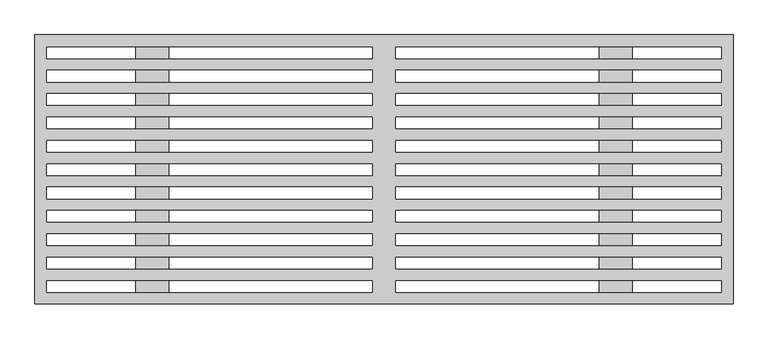
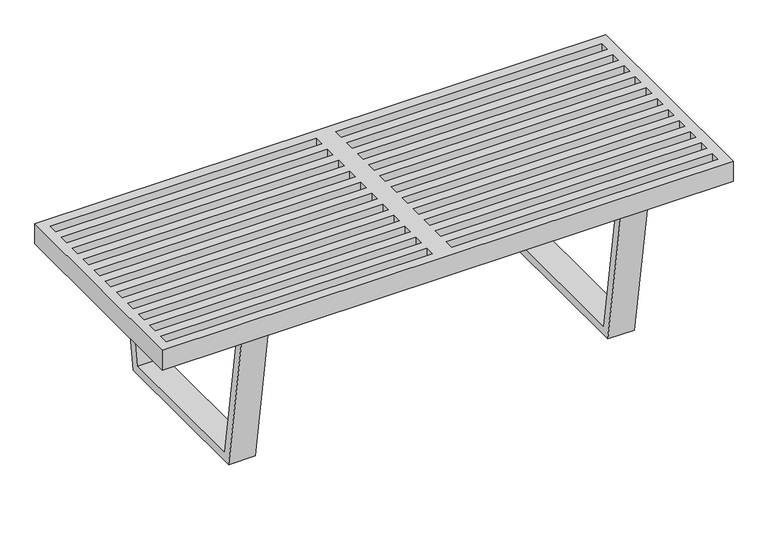
"""IFC4 building model written with IfcOpenShell, lengths in millimetres: furniture geometry."""

import ifcopenshell
import ifcopenshell.guid

model = None  # the IFC model being written
_history = None  # IfcOwnerHistory: only IFC2X3 demands one
_inside = {}  # id of a spatial element -> (the spatial element, [elements in it])
_under = {}  # id of a project, library or spatial element -> (it, [spatial elements below it])
_declared = {}  # id of a project -> (the project, [libraries it declares])
_typed = {}  # id of a type object -> (the type object, [elements of that type])
_made_of = {}  # id of a material, layer set ... -> (it, [elements and type objects made of it])


def new_model(schema):
    """Start an empty IFC model of exactly this schema.

    Asked for "IFC4X3", IfcOpenShell would pick the latest addendum, in which some entities
    have other attributes; the version numbers below select the first issue.
    IFC2X3 requires an IfcOwnerHistory on every rooted entity: one is made here for all.
    """
    global model, _history
    if schema == "IFC4X3":
        model = ifcopenshell.file(schema_version=(4, 3, 0, 0))
    else:
        model = ifcopenshell.file(schema=schema)
    _inside.clear()
    _under.clear()
    _declared.clear()
    _typed.clear()
    _made_of.clear()
    _history = None
    if model.schema == "IFC2X3":
        org = make("IfcOrganization", Name="unknown")
        user = make(
            "IfcPersonAndOrganization",
            ThePerson=make("IfcPerson", FamilyName="unknown"),
            TheOrganization=org,
        )
        app = make(
            "IfcApplication",
            ApplicationDeveloper=org,
            Version="unknown",
            ApplicationFullName="unknown",
            ApplicationIdentifier="unknown",
        )
        _history = make(
            "IfcOwnerHistory",
            OwningUser=user,
            OwningApplication=app,
            ChangeAction="ADDED",
            CreationDate=0,
        )
    return model


def make(cls, **values):
    """One entity of the class cls with the attributes given. An attribute that is None is left unset."""
    return model.create_entity(
        cls, **{name: value for name, value in values.items() if value is not None}
    )


def rooted(cls, **values):
    """An entity with a GlobalId (a new one), such as an element, a storey or a relation."""
    return make(cls, GlobalId=ifcopenshell.guid.new(), OwnerHistory=_history, **values)


def si_unit(unit_type, name, prefix=None):
    """IfcSIUnit, for example si_unit("LENGTHUNIT", "METRE", prefix="MILLI")."""
    return make("IfcSIUnit", UnitType=unit_type, Prefix=prefix, Name=name)


def assignment(units):
    """IfcUnitAssignment: the units of a project."""
    return None if units is None else make("IfcUnitAssignment", Units=units)


def point(xyz):
    """IfcCartesianPoint."""
    return None if xyz is None else make("IfcCartesianPoint", Coordinates=xyz)


def direction(xyz):
    """IfcDirection."""
    return None if xyz is None else make("IfcDirection", DirectionRatios=xyz)


def frame(location, z_axis=None, x_axis=None):
    """IfcAxis2Placement3D, a coordinate frame: its origin and axes. An axis left out is left unset."""
    return make(
        "IfcAxis2Placement3D",
        Location=point(location),
        Axis=direction(z_axis),
        RefDirection=direction(x_axis),
    )


def origin():
    """The frame at (0, 0, 0) with its axes left unset."""
    return frame((0.0, 0.0, 0.0))


def place(relative_to, where):
    """IfcLocalPlacement: puts the frame where relative to a parent placement (None: the world)."""
    return make(
        "IfcLocalPlacement", PlacementRelTo=relative_to, RelativePlacement=where
    )


def context(
    kind, dimensions, precision=None, world=None, true_north=None, identifier=None
):
    """IfcGeometricRepresentationContext, for example the 3D "Model" context."""
    return make(
        "IfcGeometricRepresentationContext",
        ContextIdentifier=identifier,
        ContextType=kind,
        CoordinateSpaceDimension=dimensions,
        Precision=precision,
        WorldCoordinateSystem=world,
        TrueNorth=true_north,
    )


def project(units=None, contexts=None):
    """IfcProject with its units and contexts."""
    return rooted(
        "IfcProject",
        Name="project",
        RepresentationContexts=contexts,
        UnitsInContext=assignment(units),
    )


def spatial(cls, under=None, at=None, **own):
    """A site, building, storey or space (cls), placed at a placement, below another one or the project."""
    s = rooted(cls, ObjectPlacement=at, **own)
    if under is not None:
        _under.setdefault(under.id(), (under, []))[1].append(s)
    return s


def polyline(points):
    """IfcPolyline through the points."""
    return make("IfcPolyline", Points=[point(p) for p in points])


def circle_curve(where, radius):
    """IfcCircle in the frame where."""
    return make("IfcCircle", Position=where, Radius=radius)


def outline(outer, holes=None, kind="AREA"):
    """IfcArbitraryClosedProfileDef: a profile drawn as a closed curve; with holes, ...WithVoids."""
    if holes is None:
        return make("IfcArbitraryClosedProfileDef", ProfileType=kind, OuterCurve=outer)
    return make(
        "IfcArbitraryProfileDefWithVoids",
        ProfileType=kind,
        OuterCurve=outer,
        InnerCurves=holes,
    )


def extrude(swept, where, along, depth):
    """IfcExtrudedAreaSolid: the profile swept, set in the frame where, extruded along a direction by depth."""
    return make(
        "IfcExtrudedAreaSolid",
        SweptArea=swept,
        Position=where,
        ExtrudedDirection=direction(along),
        Depth=depth,
    )


def shape(context_of_items, identifier, shape_type, items):
    """IfcShapeRepresentation: the items that make up one representation, for example the "Body"."""
    return make(
        "IfcShapeRepresentation",
        ContextOfItems=context_of_items,
        RepresentationIdentifier=identifier,
        RepresentationType=shape_type,
        Items=items,
    )


def source(mapping_origin, context_of_items, identifier, shape_type, items):
    """IfcRepresentationMap: a shape defined once, which mapped items show again and again."""
    return make(
        "IfcRepresentationMap",
        MappingOrigin=mapping_origin,
        MappedRepresentation=shape(context_of_items, identifier, shape_type, items),
    )


def transform(
    local_origin,
    x_axis=None,
    y_axis=None,
    z_axis=None,
    scale=None,
    scale2=None,
    scale3=None,
    uniform=True,
):
    """IfcCartesianTransformationOperator3D, or its non-uniform kind. x_axis, y_axis, z_axis: its Axis1, 2, 3."""
    if uniform:
        return make(
            "IfcCartesianTransformationOperator3D",
            Axis1=direction(x_axis),
            Axis2=direction(y_axis),
            LocalOrigin=point(local_origin),
            Scale=scale,
            Axis3=direction(z_axis),
        )
    return make(
        "IfcCartesianTransformationOperator3DnonUniform",
        Axis1=direction(x_axis),
        Axis2=direction(y_axis),
        LocalOrigin=point(local_origin),
        Scale=scale,
        Axis3=direction(z_axis),
        Scale2=scale2,
        Scale3=scale3,
    )


def mapped(mapping_source, mapping_target):
    """IfcMappedItem: shows the shape of a source again, moved by a transform."""
    return make(
        "IfcMappedItem", MappingSource=mapping_source, MappingTarget=mapping_target
    )


def made_of(thing, what):
    """Note that an element or type object is made of a material, layer set ...; save() writes the relation."""
    if what is not None:
        _made_of.setdefault(what.id(), (what, []))[1].append(thing)
    return thing


def element(
    cls,
    number,
    at=None,
    inside=None,
    cuts=None,
    type_object=None,
    material=None,
    context=None,
    identifier="Body",
    shape_type=None,
    held_by="IfcProductDefinitionShape",
    body=None,
    shapes=None,
    **own,
):
    """One element of the class cls, such as IfcWall. Its Tag is "e" and its number.

    at: its placement. inside: the storey or other place that contains it. cuts: it is an
    opening in that element (IfcRelVoidsElement). A single representation is given by context,
    identifier, shape_type and body (its items); several are given by shapes. held_by: the class
    of the entity that holds the representations. save() writes the other relations.
    """
    e = rooted(cls, Tag="e%d" % number, ObjectPlacement=at, **own)
    if body is not None:
        shapes = [shape(context, identifier, shape_type, body)]
    if shapes is not None:
        e.Representation = make(held_by, Representations=shapes)
    if inside is not None:
        _inside.setdefault(inside.id(), (inside, []))[1].append(e)
    if cuts is not None:
        rooted(
            "IfcRelVoidsElement", RelatingBuildingElement=cuts, RelatedOpeningElement=e
        )
    if type_object is not None:
        _typed.setdefault(type_object.id(), (type_object, []))[1].append(e)
    return made_of(e, material)


def aggregate(whole, parts):
    """IfcRelAggregates: a whole, such as a stair, and the parts it consists of."""
    return rooted("IfcRelAggregates", RelatingObject=whole, RelatedObjects=parts)


def save(model, path):
    """Write the relations noted so far, then the file.

    IfcRelAggregates (storeys below a building ...), IfcRelContainedInSpatialStructure (elements
    in a storey), IfcRelDefinesByType, IfcRelAssociatesMaterial and IfcRelDeclares: one each for
    every whole, place, type object, material and project.
    """
    for whole, parts in _under.values():
        aggregate(whole, parts)
    for where, things in _inside.values():
        rooted(
            "IfcRelContainedInSpatialStructure",
            RelatedElements=things,
            RelatingStructure=where,
        )
    for kind, things in _typed.values():
        rooted("IfcRelDefinesByType", RelatedObjects=things, RelatingType=kind)
    for what, things in _made_of.values():
        rooted("IfcRelAssociatesMaterial", RelatedObjects=things, RelatingMaterial=what)
    for by, libraries in _declared.values():
        rooted("IfcRelDeclares", RelatingContext=by, RelatedDefinitions=libraries)
    model.write(path)


def plane_surface(at):
    """IfcPlane: the flat surface through the origin of the frame at, square to its z axis."""
    return make("IfcPlane", Position=at)


def cylinder_surface(at, radius):
    """IfcCylindricalSurface: all points at the distance radius from the z axis of the frame at."""
    return make("IfcCylindricalSurface", Position=at, Radius=radius)


def revolved_surface(curve, axis_point, axis_direction):
    """IfcSurfaceOfRevolution: the curve turned about the line through axis_point along axis_direction."""
    return make(
        "IfcSurfaceOfRevolution",
        SweptCurve=make("IfcArbitraryOpenProfileDef", ProfileType="CURVE", Curve=curve),
        AxisPosition=make("IfcAxis1Placement", Location=point(axis_point), Axis=direction(axis_direction)),
    )


def advanced_brep(points, edges, surfaces, faces):
    """IfcAdvancedBrep: a solid bounded by faces that lie on surfaces and meet in shared edges.

    An edge is (start, end): straight between two places in points (the first is 0);
    or (start, end, curve); or (start, end, curve, False) where it runs against its curve.
    A face is (place in surfaces, loops), or (place, loops, False) where it looks against
    its surface's normal. A loop lists edges by number (the first is 1), with a minus sign
    where the edge is run from its end to its start. The first loop is the outer one.
    """
    corners = [point(p) for p in points]
    vertices = [make("IfcVertexPoint", VertexGeometry=c) for c in corners]
    made = []
    for start, end, *more in edges:
        made.append(
            make(
                "IfcEdgeCurve",
                EdgeStart=vertices[start],
                EdgeEnd=vertices[end],
                EdgeGeometry=more[0] if more else make("IfcPolyline", Points=[corners[start], corners[end]]),
                SameSense=more[1] if len(more) > 1 else True,
            )
        )
    hull = []
    for where, loops, *sense in faces:
        bounds = []
        for j, loop in enumerate(loops):
            ring = [make("IfcOrientedEdge", EdgeElement=made[abs(k) - 1], Orientation=k > 0) for k in loop]
            bounds.append(
                make(
                    "IfcFaceOuterBound" if j == 0 else "IfcFaceBound",
                    Bound=make("IfcEdgeLoop", EdgeList=ring),
                    Orientation=True,
                )
            )
        hull.append(make("IfcAdvancedFace", Bounds=bounds, FaceSurface=surfaces[where], SameSense=sense[0] if sense else True))
    return make("IfcAdvancedBrep", Outer=make("IfcClosedShell", CfsFaces=hull))


def furniture_7536aa93(model_context):
    return source(origin(), model_context, "Body", "SolidModel", [
        advanced_brep(
        [(404.8125, 127.2655571, 8.89), (394.7925629, 127.2655571, 8.89), (414.8324371, 127.2655571, 8.89), (414.8324371, 127.2655571, 0.0), (394.7925629, 127.2655571, 0.0), (404.8125, 127.2655571, 0.0), (416.6890461, 127.2655571, 2.998938), (392.9359539, 127.2655571, 2.998938), (416.6890461, 127.2655571, 5.5735617), (392.9359539, 127.2655571, 5.5735617), (414.8324371, 127.2655571, 6.9850002), (394.7925629, 127.2655571, 6.9850002)],
        [
            (0, 1),
            (1, 2, circle_curve(frame((404.8125, 127.2655571, 8.89), z_axis=(0.0, 0.0, 1.0), x_axis=(-1.0, 0.0, 0.0)), 10.0199371)),
            (2, 0),
            (2, 1, circle_curve(frame((404.8125, 127.2655571, 8.89), z_axis=(0.0, 0.0, 1.0), x_axis=(-1.0, 0.0, 0.0)), 10.0199371)),
            (3, 4, circle_curve(frame((404.8125, 127.2655571, 0.0), z_axis=(0.0, 0.0, -1.0), x_axis=(-1.0, 0.0, 0.0)), 10.0199371)),
            (4, 5),
            (5, 3),
            (4, 3, circle_curve(frame((404.8125, 127.2655571, 0.0), z_axis=(0.0, 0.0, -1.0), x_axis=(-1.0, 0.0, 0.0)), 10.0199371)),
            (6, 7, circle_curve(frame((404.8125, 127.2655571, 2.998938), z_axis=(0.0, 0.0, -1.0), x_axis=(-1.0, 0.0, 0.0)), 11.8765461)),
            (7, 4),
            (3, 6),
            (7, 6, circle_curve(frame((404.8125, 127.2655571, 2.998938), z_axis=(0.0, 0.0, -1.0), x_axis=(-1.0, 0.0, 0.0)), 11.8765461)),
            (8, 9, circle_curve(frame((404.8125, 127.2655571, 5.5735617), z_axis=(0.0, 0.0, -1.0), x_axis=(-1.0, 0.0, 0.0)), 11.8765461)),
            (9, 7),
            (6, 8),
            (9, 8, circle_curve(frame((404.8125, 127.2655571, 5.5735617), z_axis=(0.0, 0.0, -1.0), x_axis=(-1.0, 0.0, 0.0)), 11.8765461)),
            (10, 11, circle_curve(frame((404.8125, 127.2655571, 6.9850002), z_axis=(0.0, 0.0, -1.0), x_axis=(-1.0, 0.0, 0.0)), 10.0199371)),
            (11, 9),
            (8, 10),
            (11, 10, circle_curve(frame((404.8125, 127.2655571, 6.9850002), z_axis=(0.0, 0.0, -1.0), x_axis=(-1.0, 0.0, 0.0)), 10.0199371)),
            (1, 11),
            (10, 2),
        ],
        [
            plane_surface(frame((404.8125, 127.2655571, 8.89), z_axis=(0.0, 0.0, 1.0), x_axis=(-1.0, 0.0, 0.0))),
            plane_surface(frame((404.8125, 127.2655571, 0.0), z_axis=(0.0, 0.0, -1.0), x_axis=(-1.0, 0.0, 0.0))),
            revolved_surface(polyline([(394.7925629, 127.2655571, 0.0), (392.9359539, 127.2655571, 2.998938)]), (404.8125, 127.2655571, 8.8900188), (0.0, 0.0, 1.0)),
            cylinder_surface(frame((404.8125, 127.2655571, 8.8900188), z_axis=(0.0, 0.0, 1.0), x_axis=(-1.0, 0.0, 0.0)), 11.8765461),
            revolved_surface(polyline([(392.9359539, 127.2655571, 5.5735617), (394.7925629, 127.2655571, 6.9850002)]), (404.8125, 127.2655571, 8.8900188), (0.0, 0.0, 1.0)),
            cylinder_surface(frame((404.8125, 127.2655571, 8.8900188), z_axis=(0.0, 0.0, 1.0), x_axis=(-1.0, 0.0, 0.0)), 10.0199371),
        ],
        [
            (0, [[1, 2, 3]]),
            (0, [[-3, 4, -1]]),
            (1, [[5, 6, 7]]),
            (1, [[8, -7, -6]]),
            (2, [[9, 10, -5, 11]]),
            (2, [[12, -11, -8, -10]]),
            (3, [[13, 14, -9, 15]]),
            (3, [[16, -15, -12, -14]]),
            (4, [[17, 18, -13, 19]]),
            (4, [[20, -19, -16, -18]]),
            (5, [[-2, 21, -17, 22]]),
            (5, [[-4, -22, -20, -21]]),
        ],
    ),
        advanced_brep(
        [(404.8125, -126.734455, 8.89), (394.7925629, -126.734455, 8.89), (414.8324371, -126.734455, 8.89), (414.8324371, -126.734455, 0.0), (394.7925629, -126.734455, 0.0), (404.8125, -126.734455, 0.0), (416.6890461, -126.734455, 2.998938), (392.9359539, -126.734455, 2.998938), (416.6890461, -126.734455, 5.5735617), (392.9359539, -126.734455, 5.5735617), (414.8324371, -126.734455, 6.9850002), (394.7925629, -126.734455, 6.9850002)],
        [
            (0, 1),
            (1, 2, circle_curve(frame((404.8125, -126.734455, 8.89), z_axis=(0.0, 0.0, 1.0), x_axis=(-1.0, 0.0, 0.0)), 10.0199371)),
            (2, 0),
            (2, 1, circle_curve(frame((404.8125, -126.734455, 8.89), z_axis=(0.0, 0.0, 1.0), x_axis=(-1.0, 0.0, 0.0)), 10.0199371)),
            (3, 4, circle_curve(frame((404.8125, -126.734455, 0.0), z_axis=(0.0, 0.0, -1.0), x_axis=(-1.0, 0.0, 0.0)), 10.0199371)),
            (4, 5),
            (5, 3),
            (4, 3, circle_curve(frame((404.8125, -126.734455, 0.0), z_axis=(0.0, 0.0, -1.0), x_axis=(-1.0, 0.0, 0.0)), 10.0199371)),
            (6, 7, circle_curve(frame((404.8125, -126.734455, 2.998938), z_axis=(0.0, 0.0, -1.0), x_axis=(-1.0, 0.0, 0.0)), 11.8765461)),
            (7, 4),
            (3, 6),
            (7, 6, circle_curve(frame((404.8125, -126.734455, 2.998938), z_axis=(0.0, 0.0, -1.0), x_axis=(-1.0, 0.0, 0.0)), 11.8765461)),
            (8, 9, circle_curve(frame((404.8125, -126.734455, 5.5735617), z_axis=(0.0, 0.0, -1.0), x_axis=(-1.0, 0.0, 0.0)), 11.8765461)),
            (9, 7),
            (6, 8),
            (9, 8, circle_curve(frame((404.8125, -126.734455, 5.5735617), z_axis=(0.0, 0.0, -1.0), x_axis=(-1.0, 0.0, 0.0)), 11.8765461)),
            (10, 11, circle_curve(frame((404.8125, -126.734455, 6.9850002), z_axis=(0.0, 0.0, -1.0), x_axis=(-1.0, 0.0, 0.0)), 10.0199371)),
            (11, 9),
            (8, 10),
            (11, 10, circle_curve(frame((404.8125, -126.734455, 6.9850002), z_axis=(0.0, 0.0, -1.0), x_axis=(-1.0, 0.0, 0.0)), 10.0199371)),
            (1, 11),
            (10, 2),
        ],
        [
            plane_surface(frame((404.8125, -126.734455, 8.89), z_axis=(0.0, 0.0, 1.0), x_axis=(-1.0, 0.0, 0.0))),
            plane_surface(frame((404.8125, -126.734455, 0.0), z_axis=(0.0, 0.0, -1.0), x_axis=(-1.0, 0.0, 0.0))),
            revolved_surface(polyline([(394.7925629, -126.734455, 0.0), (392.9359539, -126.734455, 2.998938)]), (404.8125, -126.734455, 8.8900188), (0.0, 0.0, 1.0)),
            cylinder_surface(frame((404.8125, -126.734455, 8.8900188), z_axis=(0.0, 0.0, 1.0), x_axis=(-1.0, 0.0, 0.0)), 11.8765461),
            revolved_surface(polyline([(392.9359539, -126.734455, 5.5735617), (394.7925629, -126.734455, 6.9850002)]), (404.8125, -126.734455, 8.8900188), (0.0, 0.0, 1.0)),
            cylinder_surface(frame((404.8125, -126.734455, 8.8900188), z_axis=(0.0, 0.0, 1.0), x_axis=(-1.0, 0.0, 0.0)), 10.0199371),
        ],
        [
            (0, [[1, 2, 3]]),
            (0, [[-3, 4, -1]]),
            (1, [[5, 6, 7]]),
            (1, [[8, -7, -6]]),
            (2, [[9, 10, -5, 11]]),
            (2, [[12, -11, -8, -10]]),
            (3, [[13, 14, -9, 15]]),
            (3, [[16, -15, -12, -14]]),
            (4, [[17, 18, -13, 19]]),
            (4, [[20, -19, -16, -18]]),
            (5, [[-2, 21, -17, 22]]),
            (5, [[-4, -22, -20, -21]]),
        ],
    ),
        advanced_brep(
        [(404.8125, 127.2655571, 8.89), (394.7925629, 127.2655571, 8.89), (414.8324371, 127.2655571, 8.89), (414.8324371, 127.2655571, 0.0), (394.7925629, 127.2655571, 0.0), (404.8125, 127.2655571, 0.0), (416.6890461, 127.2655571, 2.998938), (392.9359539, 127.2655571, 2.998938), (416.6890461, 127.2655571, 5.5735617), (392.9359539, 127.2655571, 5.5735617), (414.8324371, 127.2655571, 6.9850002), (394.7925629, 127.2655571, 6.9850002)],
        [
            (0, 1),
            (1, 2, circle_curve(frame((404.8125, 127.2655571, 8.89), z_axis=(0.0, 0.0, 1.0), x_axis=(-1.0, 0.0, 0.0)), 10.0199371)),
            (2, 0),
            (2, 1, circle_curve(frame((404.8125, 127.2655571, 8.89), z_axis=(0.0, 0.0, 1.0), x_axis=(-1.0, 0.0, 0.0)), 10.0199371)),
            (3, 4, circle_curve(frame((404.8125, 127.2655571, 0.0), z_axis=(0.0, 0.0, -1.0), x_axis=(-1.0, 0.0, 0.0)), 10.0199371)),
            (4, 5),
            (5, 3),
            (4, 3, circle_curve(frame((404.8125, 127.2655571, 0.0), z_axis=(0.0, 0.0, -1.0), x_axis=(-1.0, 0.0, 0.0)), 10.0199371)),
            (6, 7, circle_curve(frame((404.8125, 127.2655571, 2.998938), z_axis=(0.0, 0.0, -1.0), x_axis=(-1.0, 0.0, 0.0)), 11.8765461)),
            (7, 4),
            (3, 6),
            (7, 6, circle_curve(frame((404.8125, 127.2655571, 2.998938), z_axis=(0.0, 0.0, -1.0), x_axis=(-1.0, 0.0, 0.0)), 11.8765461)),
            (8, 9, circle_curve(frame((404.8125, 127.2655571, 5.5735617), z_axis=(0.0, 0.0, -1.0), x_axis=(-1.0, 0.0, 0.0)), 11.8765461)),
            (9, 7),
            (6, 8),
            (9, 8, circle_curve(frame((404.8125, 127.2655571, 5.5735617), z_axis=(0.0, 0.0, -1.0), x_axis=(-1.0, 0.0, 0.0)), 11.8765461)),
            (10, 11, circle_curve(frame((404.8125, 127.2655571, 6.9850002), z_axis=(0.0, 0.0, -1.0), x_axis=(-1.0, 0.0, 0.0)), 10.0199371)),
            (11, 9),
            (8, 10),
            (11, 10, circle_curve(frame((404.8125, 127.2655571, 6.9850002), z_axis=(0.0, 0.0, -1.0), x_axis=(-1.0, 0.0, 0.0)), 10.0199371)),
            (1, 11),
            (10, 2),
        ],
        [
            plane_surface(frame((404.8125, 127.2655571, 8.89), z_axis=(0.0, 0.0, 1.0), x_axis=(-1.0, 0.0, 0.0))),
            plane_surface(frame((404.8125, 127.2655571, 0.0), z_axis=(0.0, 0.0, -1.0), x_axis=(-1.0, 0.0, 0.0))),
            revolved_surface(polyline([(394.7925629, 127.2655571, 0.0), (392.9359539, 127.2655571, 2.998938)]), (404.8125, 127.2655571, 8.8900188), (0.0, 0.0, 1.0)),
            cylinder_surface(frame((404.8125, 127.2655571, 8.8900188), z_axis=(0.0, 0.0, 1.0), x_axis=(-1.0, 0.0, 0.0)), 11.8765461),
            revolved_surface(polyline([(392.9359539, 127.2655571, 5.5735617), (394.7925629, 127.2655571, 6.9850002)]), (404.8125, 127.2655571, 8.8900188), (0.0, 0.0, 1.0)),
            cylinder_surface(frame((404.8125, 127.2655571, 8.8900188), z_axis=(0.0, 0.0, 1.0), x_axis=(-1.0, 0.0, 0.0)), 10.0199371),
        ],
        [
            (0, [[1, 2, 3]]),
            (0, [[-3, 4, -1]]),
            (1, [[5, 6, 7]]),
            (1, [[8, -7, -6]]),
            (2, [[9, 10, -5, 11]]),
            (2, [[12, -11, -8, -10]]),
            (3, [[13, 14, -9, 15]]),
            (3, [[16, -15, -12, -14]]),
            (4, [[17, 18, -13, 19]]),
            (4, [[20, -19, -16, -18]]),
            (5, [[-2, 21, -17, 22]]),
            (5, [[-4, -22, -20, -21]]),
        ],
    ),
        advanced_brep(
        [(404.8125, -126.734455, 8.89), (394.7925629, -126.734455, 8.89), (414.8324371, -126.734455, 8.89), (414.8324371, -126.734455, 0.0), (394.7925629, -126.734455, 0.0), (404.8125, -126.734455, 0.0), (416.6890461, -126.734455, 2.998938), (392.9359539, -126.734455, 2.998938), (416.6890461, -126.734455, 5.5735617), (392.9359539, -126.734455, 5.5735617), (414.8324371, -126.734455, 6.9850002), (394.7925629, -126.734455, 6.9850002)],
        [
            (0, 1),
            (1, 2, circle_curve(frame((404.8125, -126.734455, 8.89), z_axis=(0.0, 0.0, 1.0), x_axis=(-1.0, 0.0, 0.0)), 10.0199371)),
            (2, 0),
            (2, 1, circle_curve(frame((404.8125, -126.734455, 8.89), z_axis=(0.0, 0.0, 1.0), x_axis=(-1.0, 0.0, 0.0)), 10.0199371)),
            (3, 4, circle_curve(frame((404.8125, -126.734455, 0.0), z_axis=(0.0, 0.0, -1.0), x_axis=(-1.0, 0.0, 0.0)), 10.0199371)),
            (4, 5),
            (5, 3),
            (4, 3, circle_curve(frame((404.8125, -126.734455, 0.0), z_axis=(0.0, 0.0, -1.0), x_axis=(-1.0, 0.0, 0.0)), 10.0199371)),
            (6, 7, circle_curve(frame((404.8125, -126.734455, 2.998938), z_axis=(0.0, 0.0, -1.0), x_axis=(-1.0, 0.0, 0.0)), 11.8765461)),
            (7, 4),
            (3, 6),
            (7, 6, circle_curve(frame((404.8125, -126.734455, 2.998938), z_axis=(0.0, 0.0, -1.0), x_axis=(-1.0, 0.0, 0.0)), 11.8765461)),
            (8, 9, circle_curve(frame((404.8125, -126.734455, 5.5735617), z_axis=(0.0, 0.0, -1.0), x_axis=(-1.0, 0.0, 0.0)), 11.8765461)),
            (9, 7),
            (6, 8),
            (9, 8, circle_curve(frame((404.8125, -126.734455, 5.5735617), z_axis=(0.0, 0.0, -1.0), x_axis=(-1.0, 0.0, 0.0)), 11.8765461)),
            (10, 11, circle_curve(frame((404.8125, -126.734455, 6.9850002), z_axis=(0.0, 0.0, -1.0), x_axis=(-1.0, 0.0, 0.0)), 10.0199371)),
            (11, 9),
            (8, 10),
            (11, 10, circle_curve(frame((404.8125, -126.734455, 6.9850002), z_axis=(0.0, 0.0, -1.0), x_axis=(-1.0, 0.0, 0.0)), 10.0199371)),
            (1, 11),
            (10, 2),
        ],
        [
            plane_surface(frame((404.8125, -126.734455, 8.89), z_axis=(0.0, 0.0, 1.0), x_axis=(-1.0, 0.0, 0.0))),
            plane_surface(frame((404.8125, -126.734455, 0.0), z_axis=(0.0, 0.0, -1.0), x_axis=(-1.0, 0.0, 0.0))),
            revolved_surface(polyline([(394.7925629, -126.734455, 0.0), (392.9359539, -126.734455, 2.998938)]), (404.8125, -126.734455, 8.8900188), (0.0, 0.0, 1.0)),
            cylinder_surface(frame((404.8125, -126.734455, 8.8900188), z_axis=(0.0, 0.0, 1.0), x_axis=(-1.0, 0.0, 0.0)), 11.8765461),
            revolved_surface(polyline([(392.9359539, -126.734455, 5.5735617), (394.7925629, -126.734455, 6.9850002)]), (404.8125, -126.734455, 8.8900188), (0.0, 0.0, 1.0)),
            cylinder_surface(frame((404.8125, -126.734455, 8.8900188), z_axis=(0.0, 0.0, 1.0), x_axis=(-1.0, 0.0, 0.0)), 10.0199371),
        ],
        [
            (0, [[1, 2, 3]]),
            (0, [[-3, 4, -1]]),
            (1, [[5, 6, 7]]),
            (1, [[8, -7, -6]]),
            (2, [[9, 10, -5, 11]]),
            (2, [[12, -11, -8, -10]]),
            (3, [[13, 14, -9, 15]]),
            (3, [[16, -15, -12, -14]]),
            (4, [[17, 18, -13, 19]]),
            (4, [[20, -19, -16, -18]]),
            (5, [[-2, 21, -17, 22]]),
            (5, [[-4, -22, -20, -21]]),
        ],
    ),
        advanced_brep(
        [(-414.8324371, 127.2655571, 8.89), (-394.7925629, 127.2655571, 8.89), (-404.8125, 127.2655571, 8.89), (-404.8125, 127.2655571, 0.0), (-394.7925629, 127.2655571, 0.0), (-414.8324371, 127.2655571, 0.0), (-392.9359539, 127.2655571, 2.998938), (-416.6890461, 127.2655571, 2.998938), (-392.9359539, 127.2655571, 5.5735617), (-416.6890461, 127.2655571, 5.5735617), (-394.7925629, 127.2655571, 6.9850002), (-414.8324371, 127.2655571, 6.9850002)],
        [
            (0, 1, circle_curve(frame((-404.8125, 127.2655571, 8.89), z_axis=(0.0, 0.0, 1.0), x_axis=(1.0, 0.0, 0.0)), 10.0199371)),
            (1, 2),
            (2, 0),
            (1, 0, circle_curve(frame((-404.8125, 127.2655571, 8.89), z_axis=(0.0, 0.0, 1.0), x_axis=(1.0, 0.0, 0.0)), 10.0199371)),
            (3, 4),
            (4, 5, circle_curve(frame((-404.8125, 127.2655571, 0.0), z_axis=(0.0, 0.0, -1.0), x_axis=(1.0, 0.0, 0.0)), 10.0199371)),
            (5, 3),
            (5, 4, circle_curve(frame((-404.8125, 127.2655571, 0.0), z_axis=(0.0, 0.0, -1.0), x_axis=(1.0, 0.0, 0.0)), 10.0199371)),
            (4, 6),
            (6, 7, circle_curve(frame((-404.8125, 127.2655571, 2.998938), z_axis=(0.0, 0.0, -1.0), x_axis=(1.0, 0.0, 0.0)), 11.8765461)),
            (7, 5),
            (7, 6, circle_curve(frame((-404.8125, 127.2655571, 2.998938), z_axis=(0.0, 0.0, -1.0), x_axis=(1.0, 0.0, 0.0)), 11.8765461)),
            (6, 8),
            (8, 9, circle_curve(frame((-404.8125, 127.2655571, 5.5735617), z_axis=(0.0, 0.0, -1.0), x_axis=(1.0, 0.0, 0.0)), 11.8765461)),
            (9, 7),
            (9, 8, circle_curve(frame((-404.8125, 127.2655571, 5.5735617), z_axis=(0.0, 0.0, -1.0), x_axis=(1.0, 0.0, 0.0)), 11.8765461)),
            (8, 10),
            (10, 11, circle_curve(frame((-404.8125, 127.2655571, 6.9850002), z_axis=(0.0, 0.0, -1.0), x_axis=(1.0, 0.0, 0.0)), 10.0199371)),
            (11, 9),
            (11, 10, circle_curve(frame((-404.8125, 127.2655571, 6.9850002), z_axis=(0.0, 0.0, -1.0), x_axis=(1.0, 0.0, 0.0)), 10.0199371)),
            (10, 1),
            (0, 11),
        ],
        [
            plane_surface(frame((-404.8125, 127.2655571, 8.89), z_axis=(0.0, 0.0, 1.0), x_axis=(1.0, 0.0, 0.0))),
            plane_surface(frame((-404.8125, 127.2655571, 0.0), z_axis=(0.0, 0.0, -1.0), x_axis=(1.0, 0.0, 0.0))),
            revolved_surface(polyline([(-392.9359539, 127.2655571, 2.998938), (-394.7925629, 127.2655571, 0.0)]), (-404.8125, 127.2655571, 8.8900188), (0.0, 0.0, -1.0)),
            cylinder_surface(frame((-404.8125, 127.2655571, 8.8900188), z_axis=(0.0, 0.0, -1.0), x_axis=(1.0, 0.0, 0.0)), 11.8765461),
            revolved_surface(polyline([(-394.7925629, 127.2655571, 6.9850002), (-392.9359539, 127.2655571, 5.5735617)]), (-404.8125, 127.2655571, 8.8900188), (0.0, 0.0, -1.0)),
            cylinder_surface(frame((-404.8125, 127.2655571, 8.8900188), z_axis=(0.0, 0.0, -1.0), x_axis=(1.0, 0.0, 0.0)), 10.0199371),
        ],
        [
            (0, [[1, 2, 3]]),
            (0, [[4, -3, -2]]),
            (1, [[5, 6, 7]]),
            (1, [[-7, 8, -5]]),
            (2, [[-6, 9, 10, 11]]),
            (2, [[-8, -11, 12, -9]]),
            (3, [[-10, 13, 14, 15]]),
            (3, [[-12, -15, 16, -13]]),
            (4, [[-14, 17, 18, 19]]),
            (4, [[-16, -19, 20, -17]]),
            (5, [[-18, 21, -1, 22]]),
            (5, [[-20, -22, -4, -21]]),
        ],
    ),
        advanced_brep(
        [(-414.8324371, -126.734455, 8.89), (-394.7925629, -126.734455, 8.89), (-404.8125, -126.734455, 8.89), (-404.8125, -126.734455, 0.0), (-394.7925629, -126.734455, 0.0), (-414.8324371, -126.734455, 0.0), (-392.9359539, -126.734455, 2.998938), (-416.6890461, -126.734455, 2.998938), (-392.9359539, -126.734455, 5.5735617), (-416.6890461, -126.734455, 5.5735617), (-394.7925629, -126.734455, 6.9850002), (-414.8324371, -126.734455, 6.9850002)],
        [
            (0, 1, circle_curve(frame((-404.8125, -126.734455, 8.89), z_axis=(0.0, 0.0, 1.0), x_axis=(1.0, 0.0, 0.0)), 10.0199371)),
            (1, 2),
            (2, 0),
            (1, 0, circle_curve(frame((-404.8125, -126.734455, 8.89), z_axis=(0.0, 0.0, 1.0), x_axis=(1.0, 0.0, 0.0)), 10.0199371)),
            (3, 4),
            (4, 5, circle_curve(frame((-404.8125, -126.734455, 0.0), z_axis=(0.0, 0.0, -1.0), x_axis=(1.0, 0.0, 0.0)), 10.0199371)),
            (5, 3),
            (5, 4, circle_curve(frame((-404.8125, -126.734455, 0.0), z_axis=(0.0, 0.0, -1.0), x_axis=(1.0, 0.0, 0.0)), 10.0199371)),
            (4, 6),
            (6, 7, circle_curve(frame((-404.8125, -126.734455, 2.998938), z_axis=(0.0, 0.0, -1.0), x_axis=(1.0, 0.0, 0.0)), 11.8765461)),
            (7, 5),
            (7, 6, circle_curve(frame((-404.8125, -126.734455, 2.998938), z_axis=(0.0, 0.0, -1.0), x_axis=(1.0, 0.0, 0.0)), 11.8765461)),
            (6, 8),
            (8, 9, circle_curve(frame((-404.8125, -126.734455, 5.5735617), z_axis=(0.0, 0.0, -1.0), x_axis=(1.0, 0.0, 0.0)), 11.8765461)),
            (9, 7),
            (9, 8, circle_curve(frame((-404.8125, -126.734455, 5.5735617), z_axis=(0.0, 0.0, -1.0), x_axis=(1.0, 0.0, 0.0)), 11.8765461)),
            (8, 10),
            (10, 11, circle_curve(frame((-404.8125, -126.734455, 6.9850002), z_axis=(0.0, 0.0, -1.0), x_axis=(1.0, 0.0, 0.0)), 10.0199371)),
            (11, 9),
            (11, 10, circle_curve(frame((-404.8125, -126.734455, 6.9850002), z_axis=(0.0, 0.0, -1.0), x_axis=(1.0, 0.0, 0.0)), 10.0199371)),
            (10, 1),
            (0, 11),
        ],
        [
            plane_surface(frame((-404.8125, -126.734455, 8.89), z_axis=(0.0, 0.0, 1.0), x_axis=(1.0, 0.0, 0.0))),
            plane_surface(frame((-404.8125, -126.734455, 0.0), z_axis=(0.0, 0.0, -1.0), x_axis=(1.0, 0.0, 0.0))),
            revolved_surface(polyline([(-392.9359539, -126.734455, 2.998938), (-394.7925629, -126.734455, 0.0)]), (-404.8125, -126.734455, 8.8900188), (0.0, 0.0, -1.0)),
            cylinder_surface(frame((-404.8125, -126.734455, 8.8900188), z_axis=(0.0, 0.0, -1.0), x_axis=(1.0, 0.0, 0.0)), 11.8765461),
            revolved_surface(polyline([(-394.7925629, -126.734455, 6.9850002), (-392.9359539, -126.734455, 5.5735617)]), (-404.8125, -126.734455, 8.8900188), (0.0, 0.0, -1.0)),
            cylinder_surface(frame((-404.8125, -126.734455, 8.8900188), z_axis=(0.0, 0.0, -1.0), x_axis=(1.0, 0.0, 0.0)), 10.0199371),
        ],
        [
            (0, [[1, 2, 3]]),
            (0, [[4, -3, -2]]),
            (1, [[5, 6, 7]]),
            (1, [[-7, 8, -5]]),
            (2, [[-6, 9, 10, 11]]),
            (2, [[-8, -11, 12, -9]]),
            (3, [[-10, 13, 14, 15]]),
            (3, [[-12, -15, 16, -13]]),
            (4, [[-14, 17, 18, 19]]),
            (4, [[-16, -19, 20, -17]]),
            (5, [[-18, 21, -1, 22]]),
            (5, [[-20, -22, -4, -21]]),
        ],
    ),
        extrude(outline(polyline([(176.1021668, 8.8900188), (-175.5710421, 8.8900188), (-224.4143502, 320.0399855), (224.9454776, 320.0399855), (176.1021668, 8.8900188)]), holes=[polyline([(202.6718079, 300.9900036), (-202.1406807, 300.9900036), (-159.2781807, 27.9400006), (159.8093056, 27.9400006), (202.6718079, 300.9900036)])]), frame((376.2375, 0.0, 0.0), z_axis=(1.0, 0.0, 0.0), x_axis=(0.0, 1.0, 0.0)), (0.0, 0.0, 1.0), 57.15),
        extrude(outline(polyline([(176.1021668, 8.8900188), (-175.5710421, 8.8900188), (-224.4143502, 320.0399855), (224.9454776, 320.0399855), (176.1021668, 8.8900188)]), holes=[polyline([(202.6718079, 300.9900036), (-202.1406807, 300.9900036), (-159.2781807, 27.9400006), (159.8093056, 27.9400006), (202.6718079, 300.9900036)])]), frame((-433.3875, 0.0, 0.0), z_axis=(1.0, 0.0, 0.0), x_axis=(0.0, 1.0, 0.0)), (0.0, 0.0, 1.0), 57.15),
        extrude(outline(polyline([(609.6, 235.3437), (609.6, -235.3436166), (-609.6, -235.3436166), (-609.6, 235.3437), (609.6, 235.3437)]), holes=[polyline([(-20.637506, 214.1613029), (-589.0768098, 214.1613029), (-589.0768098, 193.819728), (-20.637506, 193.819728), (-20.637506, 214.1613029)]), polyline([(20.637506, 193.819728), (589.0768098, 193.819728), (589.0768098, 214.1613029), (20.637506, 214.1613029), (20.637506, 193.819728)]), polyline([(-589.0768098, 152.9561544), (-20.637506, 152.9561544), (-20.637506, 173.2977293), (-589.0768098, 173.2977293), (-589.0768098, 152.9561544)]), polyline([(-589.0768098, 112.0924423), (-20.637506, 112.0924423), (-20.637506, 132.4340172), (-589.0768098, 132.4340172), (-589.0768098, 112.0924423)]), polyline([(-589.0768098, 71.2288573), (-20.637506, 71.2288573), (-20.637506, 91.5704323), (-589.0768098, 91.5704323), (-589.0768098, 71.2288573)]), polyline([(-589.0768098, 30.3652633), (-20.637506, 30.3652633), (-20.637506, 50.7068382), (-589.0768098, 50.7068382), (-589.0768098, 30.3652633)]), polyline([(-589.0768098, -10.4984307), (-20.637506, -10.4984307), (-20.637506, 9.8431443), (-589.0768098, 9.8431443), (-589.0768098, -10.4984307)]), polyline([(-589.0768098, -51.3620156), (-20.637506, -51.3620156), (-20.637506, -31.0204407), (-589.0768098, -31.0204407), (-589.0768098, -51.3620156)]), polyline([(-589.0768098, -92.2257459), (-20.637506, -92.2257459), (-20.637506, -71.884171), (-589.0768098, -71.884171), (-589.0768098, -92.2257459)]), polyline([(-589.0768098, -133.0893127), (-20.637506, -133.0893127), (-20.637506, -112.7477377), (-589.0768098, -112.7477377), (-589.0768098, -133.0893127)]), polyline([(-589.0768098, -173.9528795), (-20.637506, -173.9528795), (-20.637506, -153.6113045), (-589.0768098, -153.6113045), (-589.0768098, -173.9528795)]), polyline([(-589.0768098, -214.8165916), (-20.637506, -214.8165916), (-20.637506, -194.4750166), (-589.0768098, -194.4750166), (-589.0768098, -214.8165916)]), polyline([(589.0768098, 152.9561544), (589.0768098, 173.2977293), (20.637506, 173.2977293), (20.637506, 152.9561544), (589.0768098, 152.9561544)]), polyline([(589.0768098, 112.0924423), (589.0768098, 132.4340172), (20.637506, 132.4340172), (20.637506, 112.0924423), (589.0768098, 112.0924423)]), polyline([(589.0768098, 71.2288573), (589.0768098, 91.5704323), (20.637506, 91.5704323), (20.637506, 71.2288573), (589.0768098, 71.2288573)]), polyline([(589.0768098, 30.3652633), (589.0768098, 50.7068382), (20.637506, 50.7068382), (20.637506, 30.3652633), (589.0768098, 30.3652633)]), polyline([(589.0768098, -10.4984307), (589.0768098, 9.8431443), (20.637506, 9.8431443), (20.637506, -10.4984307), (589.0768098, -10.4984307)]), polyline([(589.0768098, -51.3620156), (589.0768098, -31.0204407), (20.637506, -31.0204407), (20.637506, -51.3620156), (589.0768098, -51.3620156)]), polyline([(589.0768098, -92.2257459), (589.0768098, -71.884171), (20.637506, -71.884171), (20.637506, -92.2257459), (589.0768098, -92.2257459)]), polyline([(589.0768098, -133.0893127), (589.0768098, -112.7477377), (20.637506, -112.7477377), (20.637506, -133.0893127), (589.0768098, -133.0893127)]), polyline([(589.0768098, -173.9528795), (589.0768098, -153.6113045), (20.637506, -153.6113045), (20.637506, -173.9528795), (589.0768098, -173.9528795)]), polyline([(589.0768098, -214.8165916), (589.0768098, -194.4750166), (20.637506, -194.4750166), (20.637506, -214.8165916), (589.0768098, -214.8165916)])]), frame((0.0, 0.0, 320.0399855), z_axis=(0.0, 0.0, 1.0), x_axis=(1.0, 0.0, 0.0)), (0.0, 0.0, 1.0), 44.4500121),
    ])


if __name__ == "__main__":
    model = new_model("IFC4")
    model_context = context("Model", 3, world=origin())
    ifc_project = project(units=[si_unit("LENGTHUNIT", "METRE", prefix="MILLI")], contexts=[model_context])
    site = spatial("IfcSite", under=ifc_project)
    building = spatial("IfcBuilding", under=site)
    placement = place(None, origin())
    furniture_shape = furniture_7536aa93(model_context)
    element("IfcFurniture", 1, at=placement, inside=building, context=model_context, shape_type="MappedRepresentation", body=[
        mapped(furniture_shape, transform((0.0, 0.0, 0.0), x_axis=(1.0, 0.0, 0.0), y_axis=(0.0, 1.0, 0.0), z_axis=(0.0, 0.0, 1.0))),
    ])
    save(model, "model.ifc")
